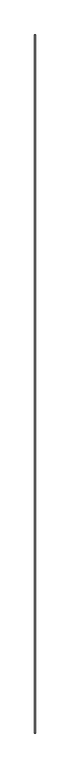
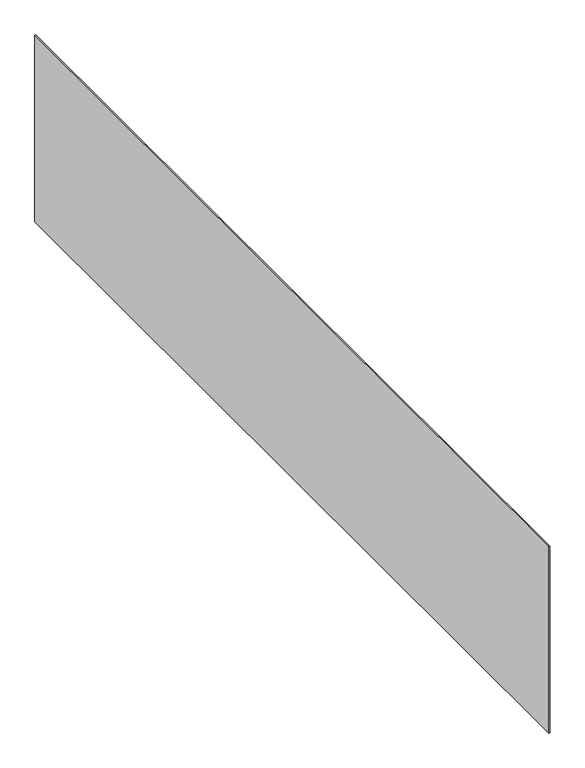
"""IFC4 building model written with IfcOpenShell, lengths in millimetres: proxy geometry."""

from ifc_helpers import new_model, si_unit, frame, origin, place, context, project, spatial, polyline, outline, extrude, source, transform, mapped, element, save


def generic_models_45c182a4(model_context):
    return source(origin(), model_context, "Body", "SweptSolid", [
        extrude(outline(polyline([(37947.8210168, -18662.4264268), (37947.8210168, -25193.9567599), (37941.8210168, -25193.9567599), (37941.8210168, -18662.4264268), (37947.8210168, -18662.4264268)])), frame((0.0, 0.0, 4198.7464506), z_axis=(0.0, 0.0, 1.0), x_axis=(1.0, 0.0, 0.0)), (0.0, 0.0, 1.0), 1446.34),
    ])


if __name__ == "__main__":
    model = new_model("IFC4")
    model_context = context("Model", 3, world=origin())
    ifc_project = project(units=[si_unit("LENGTHUNIT", "METRE", prefix="MILLI")], contexts=[model_context])
    site = spatial("IfcSite", under=ifc_project)
    building = spatial("IfcBuilding", under=site)
    placement = place(None, origin())
    generic_models_shape = generic_models_45c182a4(model_context)
    element("IfcBuildingElementProxy", 1, Name="Generic Models", at=placement, inside=building, context=model_context, shape_type="MappedRepresentation", body=[
        mapped(generic_models_shape, transform((0.0, 0.0, 0.0), x_axis=(1.0, 0.0, 0.0), y_axis=(0.0, 1.0, 0.0), z_axis=(0.0, 0.0, 1.0))),
    ])
    save(model, "model.ifc")
